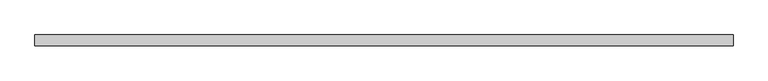
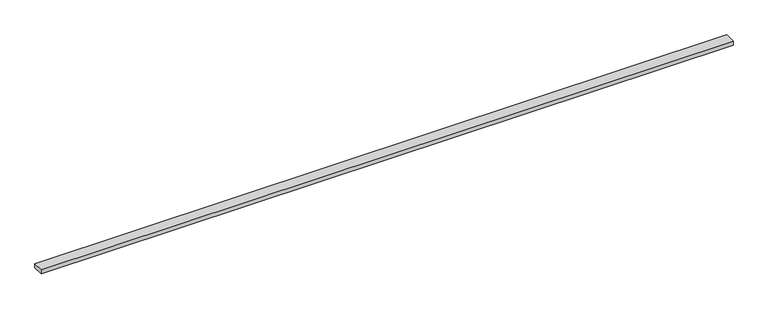
"""IFC4 building model written with IfcOpenShell, lengths in millimetres: beam geometry."""

from ifc_helpers import new_model, si_unit, frame, origin, place, context, project, spatial, polyline, outline, extrude, source, transform, mapped, element, save


def beam_fc2056de(model_context):
    return source(origin(), model_context, "Body", "SweptSolid", [
        extrude(outline(polyline([(2209.8, -35.0), (-2209.8, -35.0), (-2209.8, 35.0), (2209.8, 35.0), (2209.8, -35.0)])), frame((0.0, 0.0, -14.0), z_axis=(0.0, 0.0, 1.0), x_axis=(1.0, 0.0, 0.0)), (0.0, 0.0, 1.0), 28.0),
    ])


if __name__ == "__main__":
    model = new_model("IFC4")
    model_context = context("Model", 3, world=origin())
    ifc_project = project(units=[si_unit("LENGTHUNIT", "METRE", prefix="MILLI")], contexts=[model_context])
    site = spatial("IfcSite", under=ifc_project)
    building = spatial("IfcBuilding", under=site)
    placement = place(None, origin())
    beam_shape = beam_fc2056de(model_context)
    element("IfcBeam", 1, at=placement, inside=building, context=model_context, shape_type="MappedRepresentation", body=[
        mapped(beam_shape, transform((0.0, 0.0, 0.0), x_axis=(1.0, 0.0, 0.0), y_axis=(0.0, 1.0, 0.0), z_axis=(0.0, 0.0, 1.0))),
    ])
    save(model, "model.ifc")
